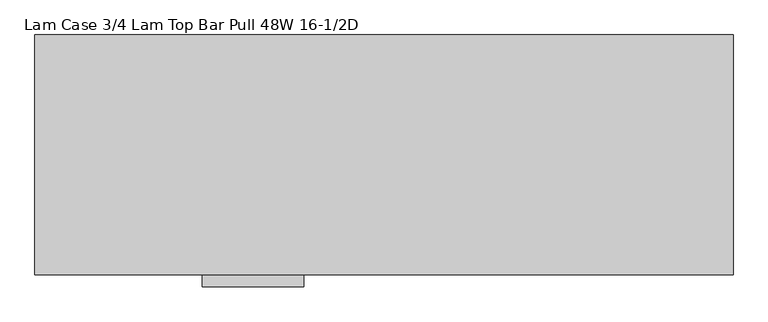
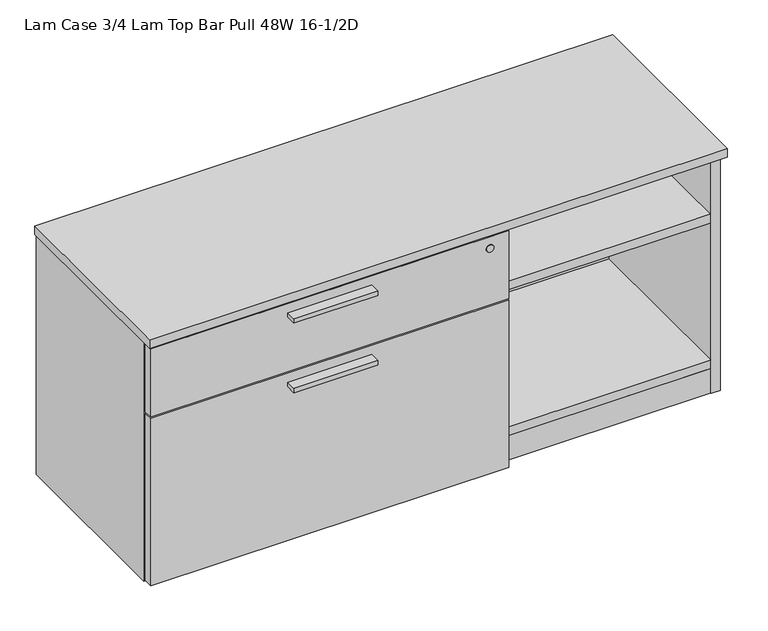
"""IFC4 building model written with IfcOpenShell, lengths in millimetres: furniture geometry, Lam Case 3/4 Lam Top Bar Pull 48W 16-1/2D."""

from ifc_helpers import new_model, si_unit, point, frame, frame_2d, origin, origin_with_axes, place, context, project, spatial, polyline, circle_curve, trimmed, segment, composite_curve, outline, extrude, source, transform, mapped, element, save


def lam_case_3_4_lam_top_bar_pull_48w_16_1_2d_3a8e5827(model_context):
    return source(origin(), model_context, "Body", "SweptSolid", [
        extrude(outline(polyline([(469.8365, -447.8158592), (292.0365, -447.8158592), (292.0365, -425.5908592), (469.8365, -425.5908592), (469.8365, -447.8158592)])), frame((0.0, 0.0, 351.0330729), z_axis=(0.0, 0.0, 1.0), x_axis=(1.0, 0.0, 0.0)), (0.0, 0.0, 1.0), 9.525),
        extrude(outline(polyline([(469.8365, -447.8158592), (292.0365, -447.8158592), (292.0365, -425.5908592), (469.8365, -425.5908592), (469.8365, -447.8158592)])), frame((0.0, 0.0, 506.1508939), z_axis=(0.0, 0.0, 1.0), x_axis=(1.0, 0.0, 0.0)), (0.0, 0.0, 1.0), 9.525),
        extrude(outline(polyline([(1156.8692022, -345.6355984), (1172.81706, -336.4280984), (1188.7649178, -345.6355984), (1188.7649178, -364.0505984), (1172.81706, -373.2580984), (1156.8692022, -364.0505984), (1156.8692022, -345.6355984)])), origin_with_axes(), (0.0, 0.0, 1.0), 9.144),
        extrude(outline(polyline([(1156.8692022, -47.1181713), (1172.81706, -37.9106713), (1188.7649178, -47.1181713), (1188.7649178, -65.5331713), (1172.81706, -74.7406713), (1156.8692022, -65.5331713), (1156.8692022, -47.1181713)])), origin_with_axes(), (0.0, 0.0, 1.0), 9.144),
        extrude(outline(polyline([(30.4350822, -345.6355984), (46.38294, -336.4280984), (62.3307978, -345.6355984), (62.3307978, -364.0505984), (46.38294, -373.2580984), (30.4350822, -364.0505984), (30.4350822, -345.6355984)])), origin_with_axes(), (0.0, 0.0, 1.0), 9.144),
        extrude(outline(polyline([(30.4350822, -47.1181713), (46.38294, -37.9106713), (62.3307978, -47.1181713), (62.3307978, -65.5331713), (46.38294, -74.7406713), (30.4350822, -65.5331713), (30.4350822, -47.1181713)])), origin_with_axes(), (0.0, 0.0, 1.0), 9.144),
        extrude(outline(polyline([(1198.3085154, -401.5878548), (20.8915005, -401.5878548), (20.8915005, -382.2838548), (1198.3085154, -382.2838548), (1198.3085154, -401.5878548)])), frame((0.0, 0.0, 4.699), z_axis=(0.0, 0.0, 1.0), x_axis=(1.0, 0.0, 0.0)), (0.0, 0.0, 1.0), 55.56758),
        extrude(outline(polyline([(1198.3085154, -30.4938704), (1198.3085154, -402.7308447), (20.8915005, -402.7308447), (20.8915005, -30.4938704), (1198.3085154, -30.4938704)])), frame((0.0, 0.0, 520.1843787), z_axis=(0.0, 0.0, 1.0), x_axis=(1.0, 0.0, 0.0)), (0.0, 0.0, 1.0), 19.304),
        extrude(outline(polyline([(760.2855, -30.4938704), (760.2855, -401.5878548), (740.9815, -401.5878548), (740.9815, -30.4938704), (760.2855, -30.4938704)])), frame((0.0, 0.0, 79.57058), z_axis=(0.0, 0.0, 1.0), x_axis=(1.0, 0.0, 0.0)), (0.0, 0.0, 1.0), 440.6137987),
        extrude(outline(polyline([(3.175, -406.2868776), (758.698, -406.2868776), (758.698, -425.5908592), (3.175, -425.5908592), (3.175, -406.2868776)])), frame((0.0, 0.0, 384.3705787), z_axis=(0.0, 0.0, 1.0), x_axis=(1.0, 0.0, 0.0)), (0.0, 0.0, 1.0), 151.9428152),
        extrude(outline(polyline([(3.175, -406.2868776), (758.698, -406.2868776), (758.698, -425.5908592), (3.175, -425.5908592), (3.175, -406.2868776)])), frame((0.0, 0.0, 7.874), z_axis=(0.0, 0.0, 1.0), x_axis=(1.0, 0.0, 0.0)), (0.0, 0.0, 1.0), 373.3215729),
        extrude(outline(polyline([(1198.3085, -30.4938704), (1198.3085, -400.8258374), (760.2855, -400.8258374), (760.2855, -30.4938704), (1198.3085, -30.4938704)])), frame((0.0, 0.0, 384.3705787), z_axis=(0.0, 0.0, 1.0), x_axis=(1.0, 0.0, 0.0)), (0.0, 0.0, 1.0), 19.304),
        extrude(outline(polyline([(1219.2, -8.0783713), (1219.2, -427.1783713), (0.0, -427.1783713), (0.0, -8.0783713), (1219.2, -8.0783713)])), frame((0.0, 0.0, 539.4883818), z_axis=(0.0, 0.0, 1.0), x_axis=(1.0, 0.0, 0.0)), (0.0, 0.0, 1.0), 19.0499969),
        extrude(outline(polyline([(1198.3085154, -30.4938704), (1198.3085154, -402.7308447), (20.8915005, -402.7308447), (20.8915005, -30.4938704), (1198.3085154, -30.4938704)])), frame((0.0, 0.0, 60.26658), z_axis=(0.0, 0.0, 1.0), x_axis=(1.0, 0.0, 0.0)), (0.0, 0.0, 1.0), 19.304),
        extrude(outline(polyline([(1198.3085154, -11.1898712), (1198.3085154, -30.4938704), (20.8915005, -30.4938704), (20.8915005, -11.1898712), (1198.3085154, -11.1898712)])), frame((0.0, 0.0, 4.699), z_axis=(0.0, 0.0, 1.0), x_axis=(1.0, 0.0, 0.0)), (0.0, 0.0, 1.0), 534.7893787),
        extrude(outline(polyline([(20.8915005, -9.6658713), (20.8915005, -403.1118534), (1.5875, -403.1118534), (1.5875, -9.6658713), (20.8915005, -9.6658713)])), frame((0.0, 0.0, 4.699), z_axis=(0.0, 0.0, 1.0), x_axis=(1.0, 0.0, 0.0)), (0.0, 0.0, 1.0), 534.7893787),
        extrude(outline(polyline([(1198.3085154, -9.6658713), (1217.6125158, -9.6658713), (1217.6125158, -403.1118534), (1198.3085154, -403.1118534), (1198.3085154, -9.6658713)])), frame((0.0, 0.0, 4.699), z_axis=(0.0, 0.0, 1.0), x_axis=(1.0, 0.0, 0.0)), (0.0, 0.0, 1.0), 534.7893787),
        extrude(outline(composite_curve([segment(trimmed(circle_curve(frame_2d((510.9133939, 718.693)), 8.001), [point((510.9133939, 726.694))], [point((510.9133939, 710.692))], False, "CARTESIAN"), True, "CONTINUOUS"), segment(trimmed(circle_curve(frame_2d((510.9133939, 718.693)), 8.001), [point((510.9133939, 710.692))], [point((510.9133939, 726.694))], False, "CARTESIAN"), True, "CONTINUOUS")], self_intersect=False)), frame((0.0, -427.1783713, 0.0), z_axis=(0.0, 1.0, 0.0), x_axis=(0.0, 0.0, 1.0)), (0.0, 0.0, 1.0), 1.5875121),
    ])


if __name__ == "__main__":
    model = new_model("IFC4")
    model_context = context("Model", 3, world=origin())
    ifc_project = project(units=[si_unit("LENGTHUNIT", "METRE", prefix="MILLI")], contexts=[model_context])
    site = spatial("IfcSite", under=ifc_project)
    building = spatial("IfcBuilding", under=site)
    placement = place(None, origin())
    lam_case_3_4_lam_top_bar_pull_48w_16_1_2d_shape = lam_case_3_4_lam_top_bar_pull_48w_16_1_2d_3a8e5827(model_context)
    element("IfcFurniture", 1, ObjectType="Lam Case 3/4 Lam Top Bar Pull 48W 16-1/2D", at=placement, inside=building, context=model_context, shape_type="MappedRepresentation", body=[
        mapped(lam_case_3_4_lam_top_bar_pull_48w_16_1_2d_shape, transform((0.0, 0.0, 0.0), x_axis=(1.0, 0.0, 0.0), y_axis=(0.0, 1.0, 0.0), z_axis=(0.0, 0.0, 1.0))),
    ])
    save(model, "model.ifc")
